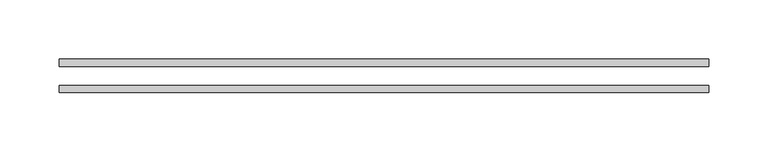
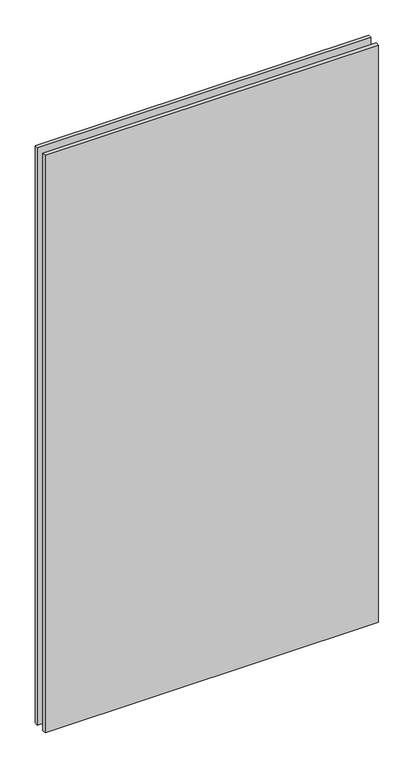
"""IFC4 building model written with IfcOpenShell, lengths in millimetres: plate geometry."""

from ifc_helpers import new_model, si_unit, origin, origin_with_axes, place, context, project, spatial, polyline, outline, extrude, source, transform, mapped, element, save


def plate_21702700(model_context):
    return source(origin(), model_context, "Body", "SweptSolid", [
        extrude(outline(polyline([(-273.3498477, 14.0), (273.3498477, 14.0), (273.3498477, 8.0), (-273.3498477, 8.0), (-273.3498477, 14.0)])), origin_with_axes(), (0.0, 0.0, 1.0), 1000.9999996),
        extrude(outline(polyline([(-273.3498477, -8.0), (273.3498477, -8.0), (273.3498477, -14.0), (-273.3498477, -14.0), (-273.3498477, -8.0)])), origin_with_axes(), (0.0, 0.0, 1.0), 1000.9999996),
    ])


if __name__ == "__main__":
    model = new_model("IFC4")
    model_context = context("Model", 3, world=origin())
    ifc_project = project(units=[si_unit("LENGTHUNIT", "METRE", prefix="MILLI")], contexts=[model_context])
    site = spatial("IfcSite", under=ifc_project)
    building = spatial("IfcBuilding", under=site)
    placement = place(None, origin())
    plate_shape = plate_21702700(model_context)
    element("IfcPlate", 1, at=placement, inside=building, context=model_context, shape_type="MappedRepresentation", body=[
        mapped(plate_shape, transform((0.0, 0.0, 0.0), x_axis=(1.0, 0.0, 0.0), y_axis=(0.0, 1.0, 0.0), z_axis=(0.0, 0.0, 1.0))),
    ])
    save(model, "model.ifc")
